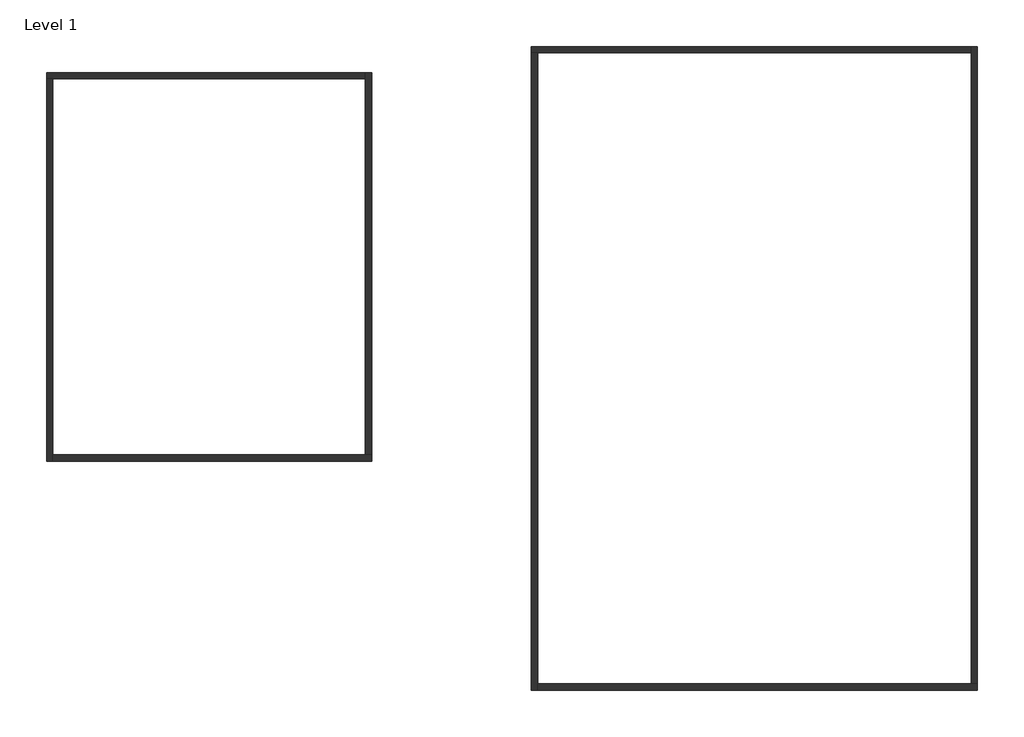
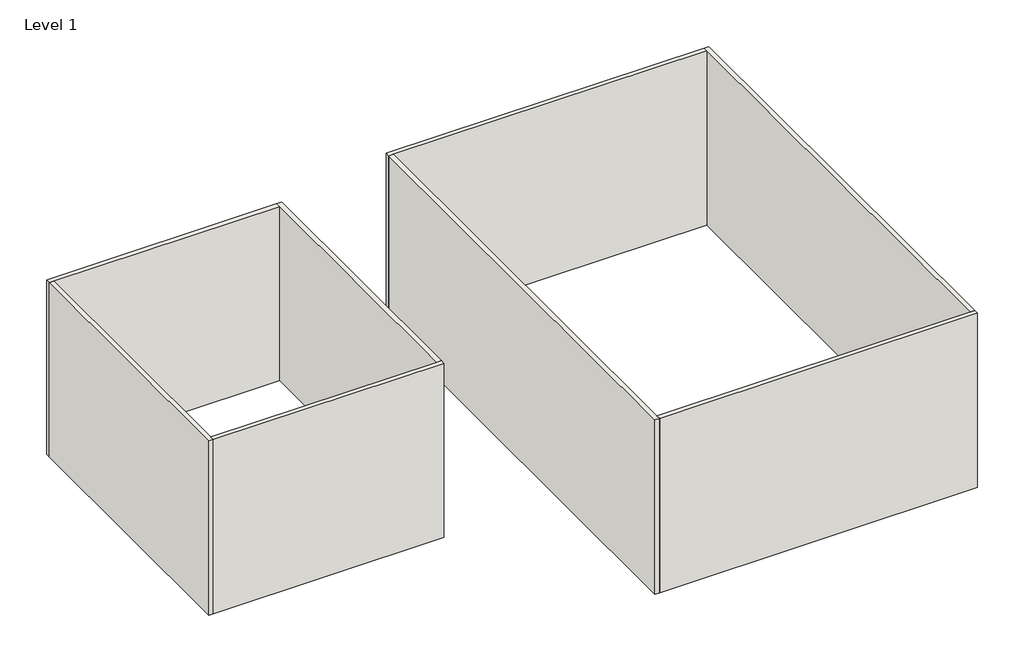
# One storey: 8 walls.
"""IFC4 building model written with IfcOpenShell, lengths in millimetres."""

from ifc_helpers import new_model, si_unit, origin, place, context, project, spatial, faceted_brep, element, save

model = new_model("IFC4")

# Units and contexts
model_context = context("Model", 3, world=origin())
ifc_project = project(units=[si_unit("LENGTHUNIT", "METRE", prefix="MILLI")], contexts=[model_context])

# Site, building, storey
site = spatial("IfcSite", under=ifc_project)
building = spatial("IfcBuilding", under=site)
storey = spatial("IfcBuildingStorey", under=building, Name="Level 1", Elevation=0.0)

# Walls
placement = place(None, origin())
element("IfcWall", 1, ObjectType="Generic - 200mm", at=placement, inside=storey, context=model_context, shape_type="Brep", body=[
    faceted_brep([(-15238.1996662, 9869.9512423, 0.0), (-15038.1996662, 9869.9512423, 0.0), (-5238.1996662, 9869.9512423, 0.0), (-5238.1996662, 9869.9512423, 8000.0), (-15038.1996662, 9869.9512423, 8000.0), (-15238.1996662, 9869.9512423, 8000.0), (-15238.1996662, 10069.9512423, 0.0), (-15238.1996662, 10069.9512423, 8000.0), (-5238.1996662, 10069.9512423, 8000.0), (-5238.1996662, 10069.9512423, 0.0)], [[[0, 1, 2, 3, 4, 5]], [[6, 7, 8, 9]], [[2, 1, 0, 6, 9]], [[5, 4, 3, 8, 7]], [[0, 5, 7, 6]], [[3, 2, 9, 8]]]),
])
element("IfcWall", 2, ObjectType="Generic - 200mm", at=placement, inside=storey, context=model_context, shape_type="Brep", body=[
    faceted_brep([(-15038.1996662, -2130.0487577, 0.0), (-15038.1996662, -1930.0487577, 0.0), (-15038.1996662, 9869.9512423, 0.0), (-15038.1996662, 9869.9512423, 8000.0), (-15038.1996662, -1930.0487577, 8000.0), (-15038.1996662, -2130.0487577, 8000.0), (-15238.1996662, -2130.0487577, 0.0), (-15238.1996662, -2130.0487577, 8000.0), (-15238.1996662, 9869.9512423, 8000.0), (-15238.1996662, 9869.9512423, 0.0)], [[[0, 1, 2, 3, 4, 5]], [[6, 7, 8, 9]], [[2, 1, 0, 6, 9]], [[5, 4, 3, 8, 7]], [[0, 5, 7, 6]], [[3, 2, 9, 8]]]),
])
element("IfcWall", 3, ObjectType="Generic - 200mm", at=placement, inside=storey, context=model_context, shape_type="Brep", body=[
    faceted_brep([(-5038.1996662, -1930.0487577, 0.0), (-5238.1996662, -1930.0487577, 0.0), (-15038.1996662, -1930.0487577, 0.0), (-15038.1996662, -1930.0487577, 8000.0), (-5238.1996662, -1930.0487577, 8000.0), (-5038.1996662, -1930.0487577, 8000.0), (-5038.1996662, -2130.0487577, 0.0), (-5038.1996662, -2130.0487577, 8000.0), (-15038.1996662, -2130.0487577, 8000.0), (-15038.1996662, -2130.0487577, 0.0)], [[[0, 1, 2, 3, 4, 5]], [[6, 7, 8, 9]], [[2, 1, 0, 6, 9]], [[5, 4, 3, 8, 7]], [[0, 5, 7, 6]], [[3, 2, 9, 8]]]),
])
element("IfcWall", 4, ObjectType="Generic - 200mm", at=placement, inside=storey, context=model_context, shape_type="Brep", body=[
    faceted_brep([(-5238.1996662, 10069.9512423, 0.0), (-5238.1996662, 9869.9512423, 0.0), (-5238.1996662, -1930.0487577, 0.0), (-5238.1996662, -1930.0487577, 8000.0), (-5238.1996662, 9869.9512423, 8000.0), (-5238.1996662, 10069.9512423, 8000.0), (-5038.1996662, 10069.9512423, 0.0), (-5038.1996662, 10069.9512423, 8000.0), (-5038.1996662, -1930.0487577, 8000.0), (-5038.1996662, -1930.0487577, 0.0)], [[[0, 1, 2, 3, 4, 5]], [[6, 7, 8, 9]], [[2, 1, 0, 6, 9]], [[5, 4, 3, 8, 7]], [[0, 5, 7, 6]], [[3, 2, 9, 8]]]),
])
element("IfcWall", 5, ObjectType="Generic - 200mm", at=placement, inside=storey, context=model_context, shape_type="Brep", body=[
    faceted_brep([(-23.8580262, 10686.1394742, 0.0), (176.1419738, 10686.1394742, 0.0), (13776.1419738, 10686.1394742, 0.0), (13776.1419738, 10686.1394742, 8000.0), (176.1419738, 10686.1394742, 8000.0), (-23.8580262, 10686.1394742, 8000.0), (-23.8580262, 10886.1394742, 0.0), (-23.8580262, 10886.1394742, 8000.0), (13776.1419738, 10886.1394742, 8000.0), (13776.1419738, 10886.1394742, 0.0)], [[[0, 1, 2, 3, 4, 5]], [[6, 7, 8, 9]], [[2, 1, 0, 6, 9]], [[5, 4, 3, 8, 7]], [[0, 5, 7, 6]], [[3, 2, 9, 8]]]),
])
element("IfcWall", 6, ObjectType="Generic - 200mm", at=placement, inside=storey, context=model_context, shape_type="Brep", body=[
    faceted_brep([(176.1419738, -9313.8605258, 0.0), (176.1419738, -9113.8605258, 0.0), (176.1419738, 10686.1394742, 0.0), (176.1419738, 10686.1394742, 8000.0), (176.1419738, -9113.8605258, 8000.0), (176.1419738, -9313.8605258, 8000.0), (-23.8580262, -9313.8605258, 0.0), (-23.8580262, -9313.8605258, 8000.0), (-23.8580262, 10686.1394742, 8000.0), (-23.8580262, 10686.1394742, 0.0)], [[[0, 1, 2, 3, 4, 5]], [[6, 7, 8, 9]], [[2, 1, 0, 6, 9]], [[5, 4, 3, 8, 7]], [[0, 5, 7, 6]], [[3, 2, 9, 8]]]),
])
element("IfcWall", 7, ObjectType="Generic - 200mm", at=placement, inside=storey, context=model_context, shape_type="Brep", body=[
    faceted_brep([(13976.1419738, -9113.8605258, 0.0), (13776.1419738, -9113.8605258, 0.0), (176.1419738, -9113.8605258, 0.0), (176.1419738, -9113.8605258, 8000.0), (13776.1419738, -9113.8605258, 8000.0), (13976.1419738, -9113.8605258, 8000.0), (13976.1419738, -9313.8605258, 0.0), (13976.1419738, -9313.8605258, 8000.0), (176.1419738, -9313.8605258, 8000.0), (176.1419738, -9313.8605258, 0.0)], [[[0, 1, 2, 3, 4, 5]], [[6, 7, 8, 9]], [[2, 1, 0, 6, 9]], [[5, 4, 3, 8, 7]], [[0, 5, 7, 6]], [[3, 2, 9, 8]]]),
])
element("IfcWall", 8, ObjectType="Generic - 200mm", at=placement, inside=storey, context=model_context, shape_type="Brep", body=[
    faceted_brep([(13776.1419738, 10886.1394742, 0.0), (13776.1419738, 10686.1394742, 0.0), (13776.1419738, -9113.8605258, 0.0), (13776.1419738, -9113.8605258, 8000.0), (13776.1419738, 10686.1394742, 8000.0), (13776.1419738, 10886.1394742, 8000.0), (13976.1419738, 10886.1394742, 0.0), (13976.1419738, 10886.1394742, 8000.0), (13976.1419738, -9113.8605258, 8000.0), (13976.1419738, -9113.8605258, 0.0)], [[[0, 1, 2, 3, 4, 5]], [[6, 7, 8, 9]], [[2, 1, 0, 6, 9]], [[5, 4, 3, 8, 7]], [[0, 5, 7, 6]], [[3, 2, 9, 8]]]),
])

save(model, "model.ifc")
